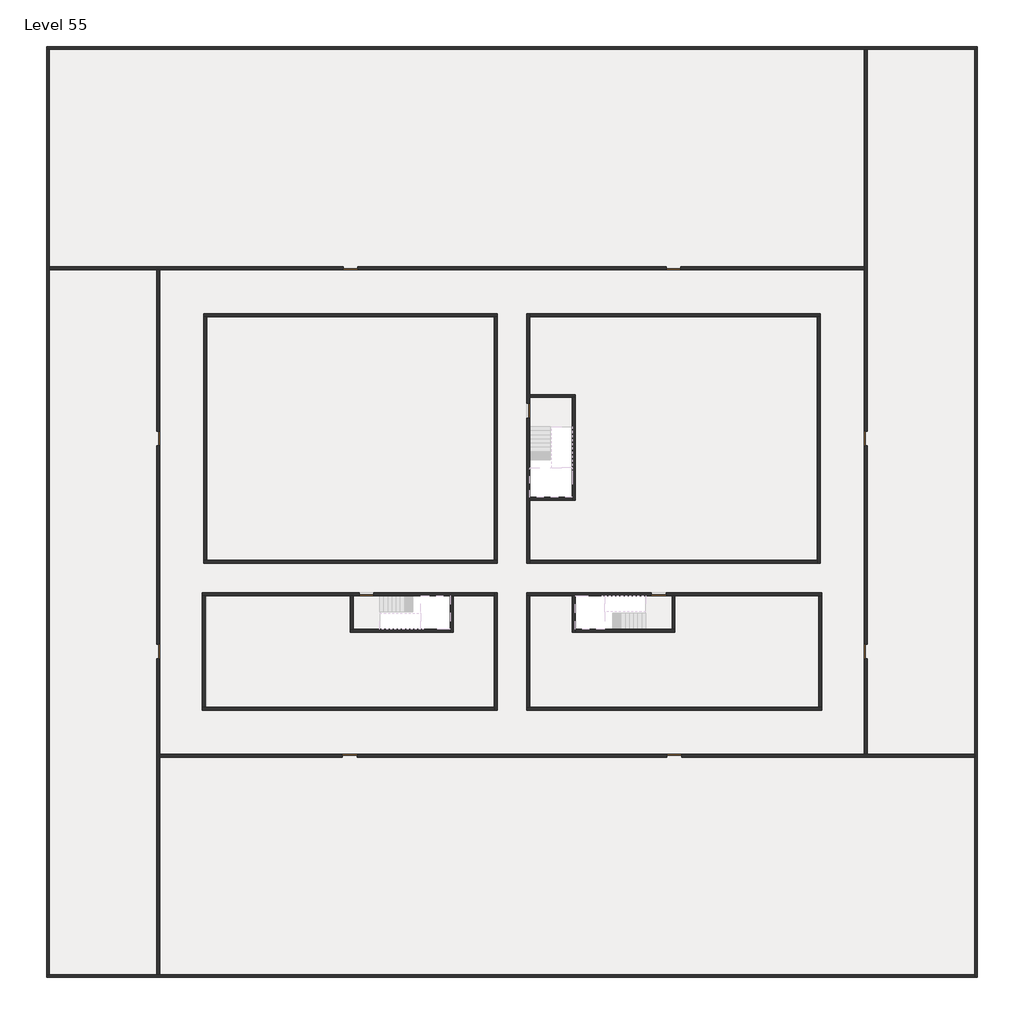
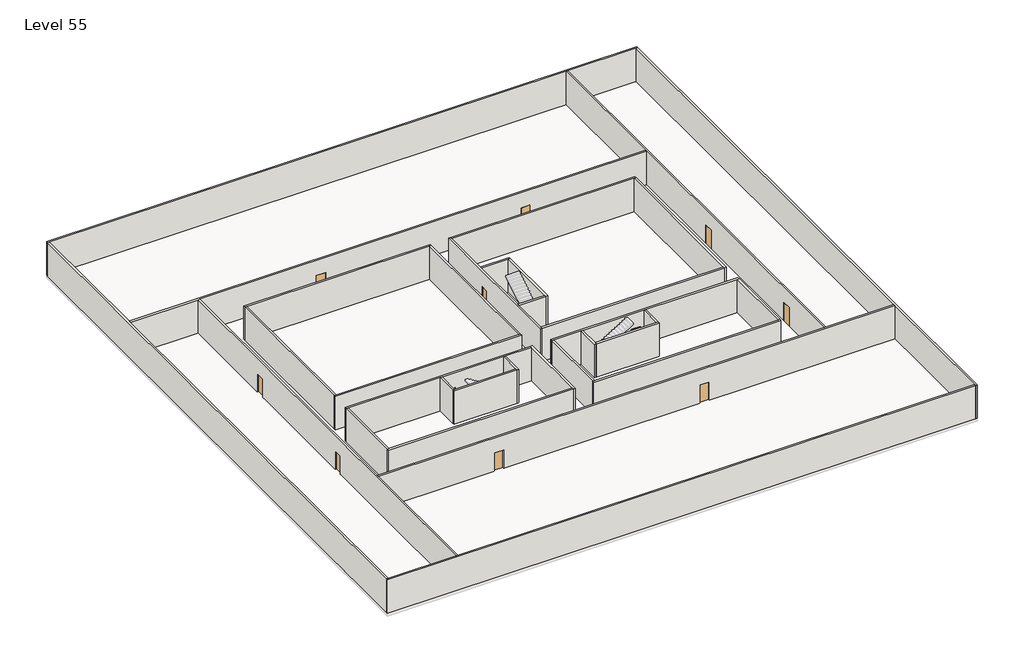
# One storey, part 1 of 2: 33 walls, 11 doors.
"""IFC4 building model written with IfcOpenShell, lengths in millimetres."""

import ifcopenshell
import ifcopenshell.guid

model = None  # the IFC model being written
_history = None  # IfcOwnerHistory: only IFC2X3 demands one
_inside = {}  # id of a spatial element -> (the spatial element, [elements in it])
_under = {}  # id of a project, library or spatial element -> (it, [spatial elements below it])
_declared = {}  # id of a project -> (the project, [libraries it declares])
_typed = {}  # id of a type object -> (the type object, [elements of that type])
_made_of = {}  # id of a material, layer set ... -> (it, [elements and type objects made of it])


def new_model(schema):
    """Start an empty IFC model of exactly this schema.

    Asked for "IFC4X3", IfcOpenShell would pick the latest addendum, in which some entities
    have other attributes; the version numbers below select the first issue.
    IFC2X3 requires an IfcOwnerHistory on every rooted entity: one is made here for all.
    """
    global model, _history
    if schema == "IFC4X3":
        model = ifcopenshell.file(schema_version=(4, 3, 0, 0))
    else:
        model = ifcopenshell.file(schema=schema)
    _inside.clear()
    _under.clear()
    _declared.clear()
    _typed.clear()
    _made_of.clear()
    _history = None
    if model.schema == "IFC2X3":
        org = make("IfcOrganization", Name="unknown")
        user = make(
            "IfcPersonAndOrganization",
            ThePerson=make("IfcPerson", FamilyName="unknown"),
            TheOrganization=org,
        )
        app = make(
            "IfcApplication",
            ApplicationDeveloper=org,
            Version="unknown",
            ApplicationFullName="unknown",
            ApplicationIdentifier="unknown",
        )
        _history = make(
            "IfcOwnerHistory",
            OwningUser=user,
            OwningApplication=app,
            ChangeAction="ADDED",
            CreationDate=0,
        )
    return model


def make(cls, **values):
    """One entity of the class cls with the attributes given. An attribute that is None is left unset."""
    return model.create_entity(
        cls, **{name: value for name, value in values.items() if value is not None}
    )


def rooted(cls, **values):
    """An entity with a GlobalId (a new one), such as an element, a storey or a relation."""
    return make(cls, GlobalId=ifcopenshell.guid.new(), OwnerHistory=_history, **values)


def si_unit(unit_type, name, prefix=None):
    """IfcSIUnit, for example si_unit("LENGTHUNIT", "METRE", prefix="MILLI")."""
    return make("IfcSIUnit", UnitType=unit_type, Prefix=prefix, Name=name)


def assignment(units):
    """IfcUnitAssignment: the units of a project."""
    return None if units is None else make("IfcUnitAssignment", Units=units)


def point(xyz):
    """IfcCartesianPoint."""
    return None if xyz is None else make("IfcCartesianPoint", Coordinates=xyz)


def direction(xyz):
    """IfcDirection."""
    return None if xyz is None else make("IfcDirection", DirectionRatios=xyz)


def frame(location, z_axis=None, x_axis=None):
    """IfcAxis2Placement3D, a coordinate frame: its origin and axes. An axis left out is left unset."""
    return make(
        "IfcAxis2Placement3D",
        Location=point(location),
        Axis=direction(z_axis),
        RefDirection=direction(x_axis),
    )


def origin():
    """The frame at (0, 0, 0) with its axes left unset."""
    return frame((0.0, 0.0, 0.0))


def origin_with_axes():
    """The frame at (0, 0, 0) with the z axis (0, 0, 1) and the x axis (1, 0, 0) written out."""
    return frame((0.0, 0.0, 0.0), z_axis=(0.0, 0.0, 1.0), x_axis=(1.0, 0.0, 0.0))


def place(relative_to, where):
    """IfcLocalPlacement: puts the frame where relative to a parent placement (None: the world)."""
    return make(
        "IfcLocalPlacement", PlacementRelTo=relative_to, RelativePlacement=where
    )


def context(
    kind, dimensions, precision=None, world=None, true_north=None, identifier=None
):
    """IfcGeometricRepresentationContext, for example the 3D "Model" context."""
    return make(
        "IfcGeometricRepresentationContext",
        ContextIdentifier=identifier,
        ContextType=kind,
        CoordinateSpaceDimension=dimensions,
        Precision=precision,
        WorldCoordinateSystem=world,
        TrueNorth=true_north,
    )


def project(units=None, contexts=None):
    """IfcProject with its units and contexts."""
    return rooted(
        "IfcProject",
        Name="project",
        RepresentationContexts=contexts,
        UnitsInContext=assignment(units),
    )


def spatial(cls, under=None, at=None, **own):
    """A site, building, storey or space (cls), placed at a placement, below another one or the project."""
    s = rooted(cls, ObjectPlacement=at, **own)
    if under is not None:
        _under.setdefault(under.id(), (under, []))[1].append(s)
    return s


def polyline(points):
    """IfcPolyline through the points."""
    return make("IfcPolyline", Points=[point(p) for p in points])


def outline(outer, holes=None, kind="AREA"):
    """IfcArbitraryClosedProfileDef: a profile drawn as a closed curve; with holes, ...WithVoids."""
    if holes is None:
        return make("IfcArbitraryClosedProfileDef", ProfileType=kind, OuterCurve=outer)
    return make(
        "IfcArbitraryProfileDefWithVoids",
        ProfileType=kind,
        OuterCurve=outer,
        InnerCurves=holes,
    )


def extrude(swept, where, along, depth):
    """IfcExtrudedAreaSolid: the profile swept, set in the frame where, extruded along a direction by depth."""
    return make(
        "IfcExtrudedAreaSolid",
        SweptArea=swept,
        Position=where,
        ExtrudedDirection=direction(along),
        Depth=depth,
    )


def faces_of(points, faces, orient=None, outer=None):
    """IfcFace entities. A face is a list of loops; a loop is a list of indices into points, from 0.

    orient and outer hold one flag for each loop. By default every Orientation is true, the
    first loop of a face is its IfcFaceOuterBound and the others are IfcFaceBound.
    """
    made = []
    for i, loops in enumerate(faces):
        bounds = []
        for j, loop in enumerate(loops):
            is_outer = j == 0 if outer is None else outer[i][j]
            bounds.append(
                make(
                    "IfcFaceOuterBound" if is_outer else "IfcFaceBound",
                    Bound=make("IfcPolyLoop", Polygon=[points[k] for k in loop]),
                    Orientation=True if orient is None else orient[i][j],
                )
            )
        made.append(make("IfcFace", Bounds=bounds))
    return made


def faceted_brep(points, faces, orient=None, outer=None, voids=None):
    """IfcFacetedBrep: a solid bounded by flat faces; with voids (closed shells), ...WithVoids."""
    shared = [point(p) for p in points]
    hull = make("IfcClosedShell", CfsFaces=faces_of(shared, faces, orient, outer))
    if voids is None:
        return make("IfcFacetedBrep", Outer=hull)
    return make(
        "IfcFacetedBrepWithVoids",
        Outer=hull,
        Voids=[
            make(cls, CfsFaces=faces_of(shared, fs, o, b)) for cls, fs, o, b in voids
        ],
    )


def shape(context_of_items, identifier, shape_type, items):
    """IfcShapeRepresentation: the items that make up one representation, for example the "Body"."""
    return make(
        "IfcShapeRepresentation",
        ContextOfItems=context_of_items,
        RepresentationIdentifier=identifier,
        RepresentationType=shape_type,
        Items=items,
    )


def source(mapping_origin, context_of_items, identifier, shape_type, items):
    """IfcRepresentationMap: a shape defined once, which mapped items show again and again."""
    return make(
        "IfcRepresentationMap",
        MappingOrigin=mapping_origin,
        MappedRepresentation=shape(context_of_items, identifier, shape_type, items),
    )


def transform(
    local_origin,
    x_axis=None,
    y_axis=None,
    z_axis=None,
    scale=None,
    scale2=None,
    scale3=None,
    uniform=True,
):
    """IfcCartesianTransformationOperator3D, or its non-uniform kind. x_axis, y_axis, z_axis: its Axis1, 2, 3."""
    if uniform:
        return make(
            "IfcCartesianTransformationOperator3D",
            Axis1=direction(x_axis),
            Axis2=direction(y_axis),
            LocalOrigin=point(local_origin),
            Scale=scale,
            Axis3=direction(z_axis),
        )
    return make(
        "IfcCartesianTransformationOperator3DnonUniform",
        Axis1=direction(x_axis),
        Axis2=direction(y_axis),
        LocalOrigin=point(local_origin),
        Scale=scale,
        Axis3=direction(z_axis),
        Scale2=scale2,
        Scale3=scale3,
    )


def mapped(mapping_source, mapping_target):
    """IfcMappedItem: shows the shape of a source again, moved by a transform."""
    return make(
        "IfcMappedItem", MappingSource=mapping_source, MappingTarget=mapping_target
    )


def made_of(thing, what):
    """Note that an element or type object is made of a material, layer set ...; save() writes the relation."""
    if what is not None:
        _made_of.setdefault(what.id(), (what, []))[1].append(thing)
    return thing


def element(
    cls,
    number,
    at=None,
    inside=None,
    cuts=None,
    type_object=None,
    material=None,
    context=None,
    identifier="Body",
    shape_type=None,
    held_by="IfcProductDefinitionShape",
    body=None,
    shapes=None,
    **own,
):
    """One element of the class cls, such as IfcWall. Its Tag is "e" and its number.

    at: its placement. inside: the storey or other place that contains it. cuts: it is an
    opening in that element (IfcRelVoidsElement). A single representation is given by context,
    identifier, shape_type and body (its items); several are given by shapes. held_by: the class
    of the entity that holds the representations. save() writes the other relations.
    """
    e = rooted(cls, Tag="e%d" % number, ObjectPlacement=at, **own)
    if body is not None:
        shapes = [shape(context, identifier, shape_type, body)]
    if shapes is not None:
        e.Representation = make(held_by, Representations=shapes)
    if inside is not None:
        _inside.setdefault(inside.id(), (inside, []))[1].append(e)
    if cuts is not None:
        rooted(
            "IfcRelVoidsElement", RelatingBuildingElement=cuts, RelatedOpeningElement=e
        )
    if type_object is not None:
        _typed.setdefault(type_object.id(), (type_object, []))[1].append(e)
    return made_of(e, material)


def aggregate(whole, parts):
    """IfcRelAggregates: a whole, such as a stair, and the parts it consists of."""
    return rooted("IfcRelAggregates", RelatingObject=whole, RelatedObjects=parts)


def save(model, path):
    """Write the relations noted so far, then the file.

    IfcRelAggregates (storeys below a building ...), IfcRelContainedInSpatialStructure (elements
    in a storey), IfcRelDefinesByType, IfcRelAssociatesMaterial and IfcRelDeclares: one each for
    every whole, place, type object, material and project.
    """
    for whole, parts in _under.values():
        aggregate(whole, parts)
    for where, things in _inside.values():
        rooted(
            "IfcRelContainedInSpatialStructure",
            RelatedElements=things,
            RelatingStructure=where,
        )
    for kind, things in _typed.values():
        rooted("IfcRelDefinesByType", RelatedObjects=things, RelatingType=kind)
    for what, things in _made_of.values():
        rooted("IfcRelAssociatesMaterial", RelatedObjects=things, RelatingMaterial=what)
    for by, libraries in _declared.values():
        rooted("IfcRelDeclares", RelatingContext=by, RelatedDefinitions=libraries)
    model.write(path)


def door_fb3c37fd(model_context):
    return source(origin(), model_context, "Body", "SweptSolid", [
        extrude(outline(polyline([(500.0, 49.0), (-500.0, 49.0), (-500.0, 100.0), (500.0, 100.0), (500.0, 49.0)])), origin_with_axes(), (0.0, 0.0, 1.0), 2100.0),
    ])


def door_0317a72c(model_context):
    return source(origin(), model_context, "Body", "SweptSolid", [
        extrude(outline(polyline([(500.0, -49.0), (500.0, -100.0), (-500.0, -100.0), (-500.0, -49.0), (500.0, -49.0)])), origin_with_axes(), (0.0, 0.0, 1.0), 2100.0),
    ])


model = new_model("IFC4")

# Units and contexts
model_context = context("Model", 3, world=origin())
ifc_project = project(units=[si_unit("LENGTHUNIT", "METRE", prefix="MILLI")], contexts=[model_context])

# Site, building, storey
site = spatial("IfcSite", under=ifc_project)
building = spatial("IfcBuilding", under=site)
storey = spatial("IfcBuildingStorey", under=building, Name="Level 55", Elevation=205200.0)

# Doors
placement = place(None, origin())
door_shape = door_fb3c37fd(model_context)
element("IfcDoor", 1, at=placement, inside=storey, context=model_context, shape_type="MappedRepresentation", body=[
    mapped(door_shape, transform((14290.1058784, -42818.09644, 205200.0), x_axis=(-1.0, 0.0, 0.0), y_axis=(0.0, -1.0, 0.0), z_axis=(0.0, 0.0, 1.0))),
])
element("IfcDoor", 2, at=placement, inside=storey, context=model_context, shape_type="MappedRepresentation", body=[
    mapped(door_shape, transform((35190.1058784, -20618.09644, 205200.0), x_axis=(-1.0, 0.0, 0.0), y_axis=(0.0, -1.0, 0.0), z_axis=(0.0, 0.0, 1.0))),
])
element("IfcDoor", 3, at=placement, inside=storey, context=model_context, shape_type="MappedRepresentation", body=[
    mapped(door_shape, transform((13190.1058784, -20618.09644, 205200.0), x_axis=(-1.0, 0.0, 0.0), y_axis=(0.0, -1.0, 0.0), z_axis=(0.0, 0.0, 1.0))),
])
element("IfcDoor", 4, at=placement, inside=storey, context=model_context, shape_type="MappedRepresentation", body=[
    mapped(door_shape, transform((90.1058784, -32218.09644, 205200.0), x_axis=(0.0, -1.0, 0.0), y_axis=(1.0, 0.0, 0.0), z_axis=(0.0, 0.0, 1.0))),
])
element("IfcDoor", 5, at=placement, inside=storey, context=model_context, shape_type="MappedRepresentation", body=[
    mapped(door_shape, transform((90.1058784, -46718.09644, 205200.0), x_axis=(0.0, -1.0, 0.0), y_axis=(1.0, 0.0, 0.0), z_axis=(0.0, 0.0, 1.0))),
])
element("IfcDoor", 6, at=placement, inside=storey, context=model_context, shape_type="MappedRepresentation", body=[
    mapped(door_shape, transform((13140.1058784, -53818.09644, 205200.0), x_axis=(1.0, 0.0, 0.0), y_axis=(0.0, 1.0, 0.0), z_axis=(0.0, 0.0, 1.0))),
])
element("IfcDoor", 7, at=placement, inside=storey, context=model_context, shape_type="MappedRepresentation", body=[
    mapped(door_shape, transform((35240.1058784, -53818.09644, 205200.0), x_axis=(1.0, 0.0, 0.0), y_axis=(0.0, 1.0, 0.0), z_axis=(0.0, 0.0, 1.0))),
])
door_2_shape = door_0317a72c(model_context)
element("IfcDoor", 8, at=placement, inside=storey, context=model_context, shape_type="MappedRepresentation", body=[
    mapped(door_2_shape, transform((25290.1058784, -30318.09644, 205200.0), x_axis=(0.0, 1.0, 0.0), y_axis=(-1.0, 0.0, 0.0), z_axis=(0.0, 0.0, 1.0))),
])
element("IfcDoor", 9, at=placement, inside=storey, context=model_context, shape_type="MappedRepresentation", body=[
    mapped(door_2_shape, transform((34190.1058784, -42818.09644, 205200.0), x_axis=(1.0, 0.0, 0.0), y_axis=(0.0, 1.0, 0.0), z_axis=(0.0, 0.0, 1.0))),
])
element("IfcDoor", 10, at=placement, inside=storey, context=model_context, shape_type="MappedRepresentation", body=[
    mapped(door_2_shape, transform((48290.1058784, -46718.09644, 205200.0), x_axis=(0.0, -1.0, 0.0), y_axis=(1.0, 0.0, 0.0), z_axis=(0.0, 0.0, 1.0))),
])
element("IfcDoor", 11, at=placement, inside=storey, context=model_context, shape_type="MappedRepresentation", body=[
    mapped(door_2_shape, transform((48290.1058784, -32218.09644, 205200.0), x_axis=(0.0, -1.0, 0.0), y_axis=(1.0, 0.0, 0.0), z_axis=(0.0, 0.0, 1.0))),
])

# Walls
element("IfcWall", 12, at=placement, inside=storey, context=model_context, shape_type="Brep", body=[
    faceted_brep([(-7509.8941216, -5718.09644, 205200.0), (-7309.8941216, -5718.09644, 205200.0), (48190.1058784, -5718.09644, 205200.0), (48390.1058784, -5718.09644, 205200.0), (55690.1058784, -5718.09644, 205200.0), (55890.1058784, -5718.09644, 205200.0), (55890.1058784, -5718.09644, 209000.0), (55690.1058784, -5718.09644, 209000.0), (48390.1058784, -5718.09644, 209000.0), (48190.1058784, -5718.09644, 209000.0), (-7309.8941216, -5718.09644, 209000.0), (-7509.8941216, -5718.09644, 209000.0), (-7509.8941216, -5518.09644, 205200.0), (-7509.8941216, -5518.09644, 209000.0), (55890.1058784, -5518.09644, 209000.0), (55890.1058784, -5518.09644, 205200.0)], [[[0, 1, 2, 3, 4, 5, 6, 7, 8, 9, 10, 11]], [[12, 13, 14, 15]], [[5, 4, 3, 2, 1, 0, 12, 15]], [[11, 10, 9, 8, 7, 6, 14, 13]], [[0, 11, 13, 12]], [[6, 5, 15, 14]]]),
])
element("IfcWall", 13, at=placement, inside=storey, context=model_context, shape_type="Brep", body=[
    faceted_brep([(55690.1058784, -5718.09644, 205200.0), (55690.1058784, -53718.09644, 205200.0), (55690.1058784, -53918.09644, 205200.0), (55690.1058784, -68718.09644, 205200.0), (55690.1058784, -68918.09644, 205200.0), (55690.1058784, -68918.09644, 209000.0), (55690.1058784, -68718.09644, 209000.0), (55690.1058784, -53918.09644, 209000.0), (55690.1058784, -53718.09644, 209000.0), (55690.1058784, -5718.09644, 209000.0), (55890.1058784, -5718.09644, 205200.0), (55890.1058784, -5718.09644, 209000.0), (55890.1058784, -68918.09644, 209000.0), (55890.1058784, -68918.09644, 205200.0)], [[[0, 1, 2, 3, 4, 5, 6, 7, 8, 9]], [[10, 11, 12, 13]], [[4, 3, 2, 1, 0, 10, 13]], [[9, 8, 7, 6, 5, 12, 11]], [[5, 4, 13, 12]], [[0, 9, 11, 10]]]),
])
element("IfcWall", 14, at=placement, inside=storey, context=model_context, shape_type="Brep", body=[
    faceted_brep([(55690.1058784, -68718.09644, 205200.0), (190.1058784, -68718.09644, 205200.0), (-9.8941216, -68718.09644, 205200.0), (-7309.8941216, -68718.09644, 205200.0), (-7509.8941216, -68718.09644, 205200.0), (-7509.8941216, -68718.09644, 209000.0), (-7309.8941216, -68718.09644, 209000.0), (-9.8941216, -68718.09644, 209000.0), (190.1058784, -68718.09644, 209000.0), (55690.1058784, -68718.09644, 209000.0), (55690.1058784, -68918.09644, 205200.0), (55690.1058784, -68918.09644, 209000.0), (-7509.8941216, -68918.09644, 209000.0), (-7509.8941216, -68918.09644, 205200.0)], [[[0, 1, 2, 3, 4, 5, 6, 7, 8, 9]], [[10, 11, 12, 13]], [[4, 3, 2, 1, 0, 10, 13]], [[9, 8, 7, 6, 5, 12, 11]], [[5, 4, 13, 12]], [[0, 9, 11, 10]]]),
])
element("IfcWall", 15, at=placement, inside=storey, context=model_context, shape_type="Brep", body=[
    faceted_brep([(-7309.8941216, -68718.09644, 205200.0), (-7309.8941216, -20718.09644, 205200.0), (-7309.8941216, -20518.09644, 205200.0), (-7309.8941216, -5718.09644, 205200.0), (-7309.8941216, -5718.09644, 209000.0), (-7309.8941216, -20518.09644, 209000.0), (-7309.8941216, -20718.09644, 209000.0), (-7309.8941216, -68718.09644, 209000.0), (-7509.8941216, -68718.09644, 205200.0), (-7509.8941216, -68718.09644, 209000.0), (-7509.8941216, -5718.09644, 209000.0), (-7509.8941216, -5718.09644, 205200.0)], [[[0, 1, 2, 3, 4, 5, 6, 7]], [[8, 9, 10, 11]], [[3, 2, 1, 0, 8, 11]], [[7, 6, 5, 4, 10, 9]], [[0, 7, 9, 8]], [[4, 3, 11, 10]]]),
])
element("IfcWall", 16, at=placement, inside=storey, context=model_context, shape_type="Brep", body=[
    faceted_brep([(3190.1058784, -23918.09644, 205200.0), (3390.1058784, -23918.09644, 205200.0), (22990.1058784, -23918.09644, 205200.0), (23190.1058784, -23918.09644, 205200.0), (23190.1058784, -23918.09644, 209000.0), (22990.1058784, -23918.09644, 209000.0), (3390.1058784, -23918.09644, 209000.0), (3190.1058784, -23918.09644, 209000.0), (3190.1058784, -23718.09644, 205200.0), (3190.1058784, -23718.09644, 209000.0), (23190.1058784, -23718.09644, 209000.0), (23190.1058784, -23718.09644, 205200.0)], [[[0, 1, 2, 3, 4, 5, 6, 7]], [[8, 9, 10, 11]], [[3, 2, 1, 0, 8, 11]], [[7, 6, 5, 4, 10, 9]], [[4, 3, 11, 10]], [[0, 7, 9, 8]]]),
])
element("IfcWall", 17, at=placement, inside=storey, context=model_context, shape_type="Brep", body=[
    faceted_brep([(44990.1058784, -23918.09644, 205200.0), (44990.1058784, -40518.09644, 205200.0), (44990.1058784, -40718.09644, 205200.0), (44990.1058784, -40718.09644, 209000.0), (44990.1058784, -40518.09644, 209000.0), (44990.1058784, -23918.09644, 209000.0), (45190.1058784, -23918.09644, 205200.0), (45190.1058784, -23918.09644, 209000.0), (45190.1058784, -40718.09644, 209000.0), (45190.1058784, -40718.09644, 205200.0)], [[[0, 1, 2, 3, 4, 5]], [[6, 7, 8, 9]], [[2, 1, 0, 6, 9]], [[5, 4, 3, 8, 7]], [[3, 2, 9, 8]], [[0, 5, 7, 6]]]),
])
element("IfcWall", 18, at=placement, inside=storey, context=model_context, shape_type="Brep", body=[
    faceted_brep([(45290.1058784, -50518.09644, 205200.0), (45090.1058784, -50518.09644, 205200.0), (25390.1058784, -50518.09644, 205200.0), (25190.1058784, -50518.09644, 205200.0), (25190.1058784, -50518.09644, 209000.0), (25390.1058784, -50518.09644, 209000.0), (45090.1058784, -50518.09644, 209000.0), (45290.1058784, -50518.09644, 209000.0), (45290.1058784, -50718.09644, 205200.0), (45290.1058784, -50718.09644, 209000.0), (25190.1058784, -50718.09644, 209000.0), (25190.1058784, -50718.09644, 205200.0)], [[[0, 1, 2, 3, 4, 5, 6, 7]], [[8, 9, 10, 11]], [[3, 2, 1, 0, 8, 11]], [[7, 6, 5, 4, 10, 9]], [[4, 3, 11, 10]], [[0, 7, 9, 8]]]),
])
element("IfcWall", 19, at=placement, inside=storey, context=model_context, shape_type="SweptSolid", body=[
    extrude(outline(polyline([(22990.1058784, -40518.09644), (22990.1058784, -23918.09644), (23190.1058784, -23918.09644), (23190.1058784, -40518.09644), (22990.1058784, -40518.09644)])), frame((0.0, 0.0, 205200.0), z_axis=(0.0, 0.0, 1.0), x_axis=(1.0, 0.0, 0.0)), (0.0, 0.0, 1.0), 3800.0),
])
element("IfcWall", 20, at=placement, inside=storey, context=model_context, shape_type="Brep", body=[
    faceted_brep([(23190.1058784, -40518.09644, 205200.0), (22990.1058784, -40518.09644, 205200.0), (3390.1058784, -40518.09644, 205200.0), (3190.1058784, -40518.09644, 205200.0), (3190.1058784, -40518.09644, 209000.0), (3390.1058784, -40518.09644, 209000.0), (22990.1058784, -40518.09644, 209000.0), (23190.1058784, -40518.09644, 209000.0), (23190.1058784, -40718.09644, 205200.0), (23190.1058784, -40718.09644, 209000.0), (3190.1058784, -40718.09644, 209000.0), (3190.1058784, -40718.09644, 205200.0)], [[[0, 1, 2, 3, 4, 5, 6, 7]], [[8, 9, 10, 11]], [[3, 2, 1, 0, 8, 11]], [[7, 6, 5, 4, 10, 9]], [[0, 7, 9, 8]], [[4, 3, 11, 10]]]),
])
element("IfcWall", 21, at=placement, inside=storey, context=model_context, shape_type="Brep", body=[
    faceted_brep([(3090.1058784, -42918.09644, 205200.0), (3290.1058784, -42918.09644, 205200.0), (13190.1058784, -42918.09644, 205200.0), (13390.1058784, -42918.09644, 205200.0), (13790.1058784, -42918.09644, 205200.0), (13790.1058784, -42918.09644, 207300.0), (14790.1058784, -42918.09644, 207300.0), (14790.1058784, -42918.09644, 205200.0), (19990.1058784, -42918.09644, 205200.0), (20190.1058784, -42918.09644, 205200.0), (22990.1058784, -42918.09644, 205200.0), (22990.1058784, -42918.09644, 209000.0), (20190.1058784, -42918.09644, 209000.0), (19990.1058784, -42918.09644, 209000.0), (13390.1058784, -42918.09644, 209000.0), (13190.1058784, -42918.09644, 209000.0), (3290.1058784, -42918.09644, 209000.0), (3090.1058784, -42918.09644, 209000.0), (13790.1058784, -42718.09644, 207300.0), (13790.1058784, -42718.09644, 205200.0), (3090.1058784, -42718.09644, 205200.0), (3090.1058784, -42718.09644, 209000.0), (22990.1058784, -42718.09644, 209000.0), (22990.1058784, -42718.09644, 205200.0), (14790.1058784, -42718.09644, 205200.0), (14790.1058784, -42718.09644, 207300.0)], [[[0, 1, 2, 3, 4, 5, 6, 7, 8, 9, 10, 11, 12, 13, 14, 15, 16, 17]], [[18, 19, 20, 21, 22, 23, 24, 25]], [[24, 23, 10, 9, 8, 7]], [[20, 19, 4, 3, 2, 1, 0]], [[17, 16, 15, 14, 13, 12, 11, 22, 21]], [[5, 4, 19, 18]], [[6, 5, 18, 25]], [[7, 6, 25, 24]], [[0, 17, 21, 20]], [[11, 10, 23, 22]]]),
])
element("IfcWall", 22, at=placement, inside=storey, context=model_context, shape_type="SweptSolid", body=[
    extrude(outline(polyline([(25390.1058784, -40518.09644), (44990.1058784, -40518.09644), (44990.1058784, -40718.09644), (25390.1058784, -40718.09644), (25390.1058784, -40518.09644)])), frame((0.0, 0.0, 205200.0), z_axis=(0.0, 0.0, 1.0), x_axis=(1.0, 0.0, 0.0)), (0.0, 0.0, 1.0), 3800.0),
])
element("IfcWall", 23, at=placement, inside=storey, context=model_context, shape_type="Brep", body=[
    faceted_brep([(25390.1058784, -29818.09644, 207300.0), (25390.1058784, -29818.09644, 205200.0), (25390.1058784, -29418.09644, 205200.0), (25390.1058784, -29218.09644, 205200.0), (25390.1058784, -23918.09644, 205200.0), (25390.1058784, -23718.09644, 205200.0), (25390.1058784, -23718.09644, 209000.0), (25390.1058784, -23918.09644, 209000.0), (25390.1058784, -29218.09644, 209000.0), (25390.1058784, -29418.09644, 209000.0), (25390.1058784, -36218.09644, 209000.0), (25390.1058784, -36418.09644, 209000.0), (25390.1058784, -40518.09644, 209000.0), (25390.1058784, -40718.09644, 209000.0), (25390.1058784, -40718.09644, 205200.0), (25390.1058784, -40518.09644, 205200.0), (25390.1058784, -36418.09644, 205200.0), (25390.1058784, -36218.09644, 205200.0), (25390.1058784, -30818.09644, 205200.0), (25390.1058784, -30818.09644, 207300.0), (25190.1058784, -23718.09644, 205200.0), (25190.1058784, -29818.09644, 205200.0), (25190.1058784, -29818.09644, 207300.0), (25190.1058784, -30818.09644, 207300.0), (25190.1058784, -30818.09644, 205200.0), (25190.1058784, -40718.09644, 205200.0), (25190.1058784, -40718.09644, 209000.0), (25190.1058784, -23718.09644, 209000.0)], [[[0, 1, 2, 3, 4, 5, 6, 7, 8, 9, 10, 11, 12, 13, 14, 15, 16, 17, 18, 19]], [[20, 21, 22, 23, 24, 25, 26, 27]], [[5, 4, 3, 2, 1, 21, 20]], [[18, 17, 16, 15, 14, 25, 24]], [[13, 12, 11, 10, 9, 8, 7, 6, 27, 26]], [[22, 21, 1, 0]], [[23, 22, 0, 19]], [[24, 23, 19, 18]], [[14, 13, 26, 25]], [[6, 5, 20, 27]]]),
])
element("IfcWall", 24, at=placement, inside=storey, context=model_context, shape_type="SweptSolid", body=[
    extrude(outline(polyline([(3390.1058784, -23918.09644), (3390.1058784, -40518.09644), (3190.1058784, -40518.09644), (3190.1058784, -23918.09644), (3390.1058784, -23918.09644)])), frame((0.0, 0.0, 205200.0), z_axis=(0.0, 0.0, 1.0), x_axis=(1.0, 0.0, 0.0)), (0.0, 0.0, 1.0), 3800.0),
])
element("IfcWall", 25, at=placement, inside=storey, context=model_context, shape_type="Brep", body=[
    faceted_brep([(25390.1058784, -23918.09644, 205200.0), (44990.1058784, -23918.09644, 205200.0), (45190.1058784, -23918.09644, 205200.0), (45190.1058784, -23918.09644, 209000.0), (44990.1058784, -23918.09644, 209000.0), (25390.1058784, -23918.09644, 209000.0), (25390.1058784, -23718.09644, 205200.0), (25390.1058784, -23718.09644, 209000.0), (45190.1058784, -23718.09644, 209000.0), (45190.1058784, -23718.09644, 205200.0)], [[[0, 1, 2, 3, 4, 5]], [[6, 7, 8, 9]], [[2, 1, 0, 6, 9]], [[5, 4, 3, 8, 7]], [[3, 2, 9, 8]], [[0, 5, 7, 6]]]),
])
element("IfcWall", 26, at=placement, inside=storey, context=model_context, shape_type="Brep", body=[
    faceted_brep([(25390.1058784, -29418.09644, 205200.0), (28290.1058784, -29418.09644, 205200.0), (28490.1058784, -29418.09644, 205200.0), (28490.1058784, -29418.09644, 209000.0), (28290.1058784, -29418.09644, 209000.0), (25390.1058784, -29418.09644, 209000.0), (25390.1058784, -29218.09644, 205200.0), (25390.1058784, -29218.09644, 209000.0), (28490.1058784, -29218.09644, 209000.0), (28490.1058784, -29218.09644, 205200.0)], [[[0, 1, 2, 3, 4, 5]], [[6, 7, 8, 9]], [[2, 1, 0, 6, 9]], [[5, 4, 3, 8, 7]], [[3, 2, 9, 8]], [[0, 5, 7, 6]]]),
])
element("IfcWall", 27, at=placement, inside=storey, context=model_context, shape_type="Brep", body=[
    faceted_brep([(28290.1058784, -29418.09644, 205200.0), (28290.1058784, -36218.09644, 205200.0), (28290.1058784, -36418.09644, 205200.0), (28290.1058784, -36418.09644, 209000.0), (28290.1058784, -36218.09644, 209000.0), (28290.1058784, -29418.09644, 209000.0), (28490.1058784, -29418.09644, 205200.0), (28490.1058784, -29418.09644, 209000.0), (28490.1058784, -36418.09644, 209000.0), (28490.1058784, -36418.09644, 205200.0)], [[[0, 1, 2, 3, 4, 5]], [[6, 7, 8, 9]], [[2, 1, 0, 6, 9]], [[5, 4, 3, 8, 7]], [[3, 2, 9, 8]], [[0, 5, 7, 6]]]),
])
element("IfcWall", 28, at=placement, inside=storey, context=model_context, shape_type="SweptSolid", body=[
    extrude(outline(polyline([(25390.1058784, -36218.09644), (28290.1058784, -36218.09644), (28290.1058784, -36418.09644), (25390.1058784, -36418.09644), (25390.1058784, -36218.09644)])), frame((0.0, 0.0, 205200.0), z_axis=(0.0, 0.0, 1.0), x_axis=(1.0, 0.0, 0.0)), (0.0, 0.0, 1.0), 3800.0),
])
element("IfcWall", 29, at=placement, inside=storey, context=model_context, shape_type="SweptSolid", body=[
    extrude(outline(polyline([(25190.1058784, -50518.09644), (25190.1058784, -42918.09644), (25390.1058784, -42918.09644), (25390.1058784, -50518.09644), (25190.1058784, -50518.09644)])), frame((0.0, 0.0, 205200.0), z_axis=(0.0, 0.0, 1.0), x_axis=(1.0, 0.0, 0.0)), (0.0, 0.0, 1.0), 3800.0),
])
element("IfcWall", 30, at=placement, inside=storey, context=model_context, shape_type="Brep", body=[
    faceted_brep([(22990.1058784, -42718.09644, 205200.0), (22990.1058784, -42918.09644, 205200.0), (22990.1058784, -50518.09644, 205200.0), (22990.1058784, -50718.09644, 205200.0), (22990.1058784, -50718.09644, 209000.0), (22990.1058784, -50518.09644, 209000.0), (22990.1058784, -42918.09644, 209000.0), (22990.1058784, -42718.09644, 209000.0), (23190.1058784, -42718.09644, 205200.0), (23190.1058784, -42718.09644, 209000.0), (23190.1058784, -50718.09644, 209000.0), (23190.1058784, -50718.09644, 205200.0)], [[[0, 1, 2, 3, 4, 5, 6, 7]], [[8, 9, 10, 11]], [[3, 2, 1, 0, 8, 11]], [[7, 6, 5, 4, 10, 9]], [[4, 3, 11, 10]], [[0, 7, 9, 8]]]),
])
element("IfcWall", 31, at=placement, inside=storey, context=model_context, shape_type="Brep", body=[
    faceted_brep([(34690.1058784, -42918.09644, 207300.0), (34690.1058784, -42918.09644, 205200.0), (35090.1058784, -42918.09644, 205200.0), (35290.1058784, -42918.09644, 205200.0), (45090.1058784, -42918.09644, 205200.0), (45290.1058784, -42918.09644, 205200.0), (45290.1058784, -42918.09644, 209000.0), (45090.1058784, -42918.09644, 209000.0), (35290.1058784, -42918.09644, 209000.0), (35090.1058784, -42918.09644, 209000.0), (28490.1058784, -42918.09644, 209000.0), (28290.1058784, -42918.09644, 209000.0), (25390.1058784, -42918.09644, 209000.0), (25190.1058784, -42918.09644, 209000.0), (25190.1058784, -42918.09644, 205200.0), (25390.1058784, -42918.09644, 205200.0), (28290.1058784, -42918.09644, 205200.0), (28490.1058784, -42918.09644, 205200.0), (33690.1058784, -42918.09644, 205200.0), (33690.1058784, -42918.09644, 207300.0), (45290.1058784, -42718.09644, 205200.0), (34690.1058784, -42718.09644, 205200.0), (34690.1058784, -42718.09644, 207300.0), (33690.1058784, -42718.09644, 207300.0), (33690.1058784, -42718.09644, 205200.0), (25190.1058784, -42718.09644, 205200.0), (25190.1058784, -42718.09644, 209000.0), (45290.1058784, -42718.09644, 209000.0)], [[[0, 1, 2, 3, 4, 5, 6, 7, 8, 9, 10, 11, 12, 13, 14, 15, 16, 17, 18, 19]], [[20, 21, 22, 23, 24, 25, 26, 27]], [[5, 4, 3, 2, 1, 21, 20]], [[18, 17, 16, 15, 14, 25, 24]], [[13, 12, 11, 10, 9, 8, 7, 6, 27, 26]], [[22, 21, 1, 0]], [[23, 22, 0, 19]], [[24, 23, 19, 18]], [[14, 13, 26, 25]], [[6, 5, 20, 27]]]),
])
element("IfcWall", 32, at=placement, inside=storey, context=model_context, shape_type="Brep", body=[
    faceted_brep([(22990.1058784, -50518.09644, 205200.0), (3290.1058784, -50518.09644, 205200.0), (3090.1058784, -50518.09644, 205200.0), (3090.1058784, -50518.09644, 209000.0), (3290.1058784, -50518.09644, 209000.0), (22990.1058784, -50518.09644, 209000.0), (22990.1058784, -50718.09644, 205200.0), (22990.1058784, -50718.09644, 209000.0), (3090.1058784, -50718.09644, 209000.0), (3090.1058784, -50718.09644, 205200.0)], [[[0, 1, 2, 3, 4, 5]], [[6, 7, 8, 9]], [[2, 1, 0, 6, 9]], [[5, 4, 3, 8, 7]], [[0, 5, 7, 6]], [[3, 2, 9, 8]]]),
])
element("IfcWall", 33, at=placement, inside=storey, context=model_context, shape_type="Brep", body=[
    faceted_brep([(28290.1058784, -42918.09644, 205200.0), (28290.1058784, -45418.09644, 205200.0), (28290.1058784, -45418.09644, 209000.0), (28290.1058784, -42918.09644, 209000.0), (28490.1058784, -42918.09644, 205200.0), (28490.1058784, -42918.09644, 209000.0), (28490.1058784, -45218.09644, 209000.0), (28490.1058784, -45418.09644, 209000.0), (28490.1058784, -45418.09644, 205200.0), (28490.1058784, -45218.09644, 205200.0)], [[[0, 1, 2, 3]], [[4, 5, 6, 7, 8, 9]], [[1, 0, 4, 9, 8]], [[3, 2, 7, 6, 5]], [[2, 1, 8, 7]], [[0, 3, 5, 4]]]),
])
element("IfcWall", 34, at=placement, inside=storey, context=model_context, shape_type="Brep", body=[
    faceted_brep([(28490.1058784, -45418.09644, 205200.0), (35290.1058784, -45418.09644, 205200.0), (35290.1058784, -45418.09644, 209000.0), (28490.1058784, -45418.09644, 209000.0), (28490.1058784, -45218.09644, 205200.0), (28490.1058784, -45218.09644, 209000.0), (35090.1058784, -45218.09644, 209000.0), (35290.1058784, -45218.09644, 209000.0), (35290.1058784, -45218.09644, 205200.0), (35090.1058784, -45218.09644, 205200.0)], [[[0, 1, 2, 3]], [[4, 5, 6, 7, 8, 9]], [[1, 0, 4, 9, 8]], [[3, 2, 7, 6, 5]], [[2, 1, 8, 7]], [[0, 3, 5, 4]]]),
])
element("IfcWall", 35, at=placement, inside=storey, context=model_context, shape_type="SweptSolid", body=[
    extrude(outline(polyline([(35290.1058784, -42918.09644), (35290.1058784, -45218.09644), (35090.1058784, -45218.09644), (35090.1058784, -42918.09644), (35290.1058784, -42918.09644)])), frame((0.0, 0.0, 205200.0), z_axis=(0.0, 0.0, 1.0), x_axis=(1.0, 0.0, 0.0)), (0.0, 0.0, 1.0), 3800.0),
])
element("IfcWall", 36, at=placement, inside=storey, context=model_context, shape_type="Brep", body=[
    faceted_brep([(19990.1058784, -42918.09644, 205200.0), (19990.1058784, -45218.09644, 205200.0), (19990.1058784, -45418.09644, 205200.0), (19990.1058784, -45418.09644, 209000.0), (19990.1058784, -45218.09644, 209000.0), (19990.1058784, -42918.09644, 209000.0), (20190.1058784, -42918.09644, 205200.0), (20190.1058784, -42918.09644, 209000.0), (20190.1058784, -45418.09644, 209000.0), (20190.1058784, -45418.09644, 205200.0)], [[[0, 1, 2, 3, 4, 5]], [[6, 7, 8, 9]], [[2, 1, 0, 6, 9]], [[5, 4, 3, 8, 7]], [[3, 2, 9, 8]], [[0, 5, 7, 6]]]),
])
element("IfcWall", 37, at=placement, inside=storey, context=model_context, shape_type="Brep", body=[
    faceted_brep([(19990.1058784, -45218.09644, 205200.0), (13390.1058784, -45218.09644, 205200.0), (13190.1058784, -45218.09644, 205200.0), (13190.1058784, -45218.09644, 209000.0), (13390.1058784, -45218.09644, 209000.0), (19990.1058784, -45218.09644, 209000.0), (19990.1058784, -45418.09644, 205200.0), (19990.1058784, -45418.09644, 209000.0), (13190.1058784, -45418.09644, 209000.0), (13190.1058784, -45418.09644, 205200.0)], [[[0, 1, 2, 3, 4, 5]], [[6, 7, 8, 9]], [[2, 1, 0, 6, 9]], [[5, 4, 3, 8, 7]], [[0, 5, 7, 6]], [[3, 2, 9, 8]]]),
])
element("IfcWall", 38, at=placement, inside=storey, context=model_context, shape_type="SweptSolid", body=[
    extrude(outline(polyline([(13390.1058784, -42918.09644), (13390.1058784, -45218.09644), (13190.1058784, -45218.09644), (13190.1058784, -42918.09644), (13390.1058784, -42918.09644)])), frame((0.0, 0.0, 205200.0), z_axis=(0.0, 0.0, 1.0), x_axis=(1.0, 0.0, 0.0)), (0.0, 0.0, 1.0), 3800.0),
])
element("IfcWall", 39, at=placement, inside=storey, context=model_context, shape_type="SweptSolid", body=[
    extrude(outline(polyline([(45290.1058784, -42918.09644), (45290.1058784, -50518.09644), (45090.1058784, -50518.09644), (45090.1058784, -42918.09644), (45290.1058784, -42918.09644)])), frame((0.0, 0.0, 205200.0), z_axis=(0.0, 0.0, 1.0), x_axis=(1.0, 0.0, 0.0)), (0.0, 0.0, 1.0), 3800.0),
])
element("IfcWall", 40, at=placement, inside=storey, context=model_context, shape_type="SweptSolid", body=[
    extrude(outline(polyline([(3290.1058784, -42918.09644), (3290.1058784, -50518.09644), (3090.1058784, -50518.09644), (3090.1058784, -42918.09644), (3290.1058784, -42918.09644)])), frame((0.0, 0.0, 205200.0), z_axis=(0.0, 0.0, 1.0), x_axis=(1.0, 0.0, 0.0)), (0.0, 0.0, 1.0), 3800.0),
])
element("IfcWall", 41, at=placement, inside=storey, context=model_context, shape_type="Brep", body=[
    faceted_brep([(-7309.8941216, -20718.09644, 205200.0), (-9.8941216, -20718.09644, 205200.0), (190.1058784, -20718.09644, 205200.0), (12690.1058784, -20718.09644, 205200.0), (12690.1058784, -20718.09644, 207300.0), (13690.1058784, -20718.09644, 207300.0), (13690.1058784, -20718.09644, 205200.0), (34690.1058784, -20718.09644, 205200.0), (34690.1058784, -20718.09644, 207300.0), (35690.1058784, -20718.09644, 207300.0), (35690.1058784, -20718.09644, 205200.0), (48190.1058784, -20718.09644, 205200.0), (48190.1058784, -20718.09644, 209000.0), (190.1058784, -20718.09644, 209000.0), (-9.8941216, -20718.09644, 209000.0), (-7309.8941216, -20718.09644, 209000.0), (12690.1058784, -20518.09644, 207300.0), (12690.1058784, -20518.09644, 205200.0), (-7309.8941216, -20518.09644, 205200.0), (-7309.8941216, -20518.09644, 209000.0), (48190.1058784, -20518.09644, 209000.0), (48190.1058784, -20518.09644, 205200.0), (35690.1058784, -20518.09644, 205200.0), (35690.1058784, -20518.09644, 207300.0), (34690.1058784, -20518.09644, 207300.0), (34690.1058784, -20518.09644, 205200.0), (13690.1058784, -20518.09644, 205200.0), (13690.1058784, -20518.09644, 207300.0)], [[[0, 1, 2, 3, 4, 5, 6, 7, 8, 9, 10, 11, 12, 13, 14, 15]], [[16, 17, 18, 19, 20, 21, 22, 23, 24, 25, 26, 27]], [[22, 21, 11, 10]], [[26, 25, 7, 6]], [[18, 17, 3, 2, 1, 0]], [[15, 14, 13, 12, 20, 19]], [[8, 7, 25, 24]], [[9, 8, 24, 23]], [[10, 9, 23, 22]], [[4, 3, 17, 16]], [[5, 4, 16, 27]], [[6, 5, 27, 26]], [[0, 15, 19, 18]], [[12, 11, 21, 20]]]),
])
element("IfcWall", 42, at=placement, inside=storey, context=model_context, shape_type="Brep", body=[
    faceted_brep([(48190.1058784, -32718.09644, 207300.0), (48190.1058784, -32718.09644, 205200.0), (48190.1058784, -46218.09644, 205200.0), (48190.1058784, -46218.09644, 207300.0), (48190.1058784, -47218.09644, 207300.0), (48190.1058784, -47218.09644, 205200.0), (48190.1058784, -53718.09644, 205200.0), (48190.1058784, -53718.09644, 209000.0), (48190.1058784, -20718.09644, 209000.0), (48190.1058784, -20518.09644, 209000.0), (48190.1058784, -5718.09644, 209000.0), (48190.1058784, -5718.09644, 205200.0), (48190.1058784, -20518.09644, 205200.0), (48190.1058784, -20718.09644, 205200.0), (48190.1058784, -31718.09644, 205200.0), (48190.1058784, -31718.09644, 207300.0), (48390.1058784, -46218.09644, 205200.0), (48390.1058784, -32718.09644, 205200.0), (48390.1058784, -32718.09644, 207300.0), (48390.1058784, -31718.09644, 207300.0), (48390.1058784, -31718.09644, 205200.0), (48390.1058784, -5718.09644, 205200.0), (48390.1058784, -5718.09644, 209000.0), (48390.1058784, -53718.09644, 209000.0), (48390.1058784, -53718.09644, 205200.0), (48390.1058784, -47218.09644, 205200.0), (48390.1058784, -47218.09644, 207300.0), (48390.1058784, -46218.09644, 207300.0)], [[[0, 1, 2, 3, 4, 5, 6, 7, 8, 9, 10, 11, 12, 13, 14, 15]], [[16, 17, 18, 19, 20, 21, 22, 23, 24, 25, 26, 27]], [[6, 5, 25, 24]], [[2, 1, 17, 16]], [[14, 13, 12, 11, 21, 20]], [[10, 9, 8, 7, 23, 22]], [[26, 25, 5, 4]], [[27, 26, 4, 3]], [[16, 27, 3, 2]], [[18, 17, 1, 0]], [[19, 18, 0, 15]], [[20, 19, 15, 14]], [[11, 10, 22, 21]], [[7, 6, 24, 23]]]),
])
element("IfcWall", 43, at=placement, inside=storey, context=model_context, shape_type="Brep", body=[
    faceted_brep([(55690.1058784, -53718.09644, 205200.0), (48390.1058784, -53718.09644, 205200.0), (48190.1058784, -53718.09644, 205200.0), (35740.1058784, -53718.09644, 205200.0), (35740.1058784, -53718.09644, 207300.0), (34740.1058784, -53718.09644, 207300.0), (34740.1058784, -53718.09644, 205200.0), (13640.1058784, -53718.09644, 205200.0), (13640.1058784, -53718.09644, 207300.0), (12640.1058784, -53718.09644, 207300.0), (12640.1058784, -53718.09644, 205200.0), (190.1058784, -53718.09644, 205200.0), (190.1058784, -53718.09644, 209000.0), (48190.1058784, -53718.09644, 209000.0), (48390.1058784, -53718.09644, 209000.0), (55690.1058784, -53718.09644, 209000.0), (35740.1058784, -53918.09644, 207300.0), (35740.1058784, -53918.09644, 205200.0), (55690.1058784, -53918.09644, 205200.0), (55690.1058784, -53918.09644, 209000.0), (190.1058784, -53918.09644, 209000.0), (190.1058784, -53918.09644, 205200.0), (12640.1058784, -53918.09644, 205200.0), (12640.1058784, -53918.09644, 207300.0), (13640.1058784, -53918.09644, 207300.0), (13640.1058784, -53918.09644, 205200.0), (34740.1058784, -53918.09644, 205200.0), (34740.1058784, -53918.09644, 207300.0)], [[[0, 1, 2, 3, 4, 5, 6, 7, 8, 9, 10, 11, 12, 13, 14, 15]], [[16, 17, 18, 19, 20, 21, 22, 23, 24, 25, 26, 27]], [[22, 21, 11, 10]], [[26, 25, 7, 6]], [[18, 17, 3, 2, 1, 0]], [[15, 14, 13, 12, 20, 19]], [[8, 7, 25, 24]], [[9, 8, 24, 23]], [[10, 9, 23, 22]], [[4, 3, 17, 16]], [[5, 4, 16, 27]], [[6, 5, 27, 26]], [[0, 15, 19, 18]], [[12, 11, 21, 20]]]),
])
element("IfcWall", 44, at=placement, inside=storey, context=model_context, shape_type="Brep", body=[
    faceted_brep([(190.1058784, -68718.09644, 205200.0), (190.1058784, -53918.09644, 205200.0), (190.1058784, -53718.09644, 205200.0), (190.1058784, -47218.09644, 205200.0), (190.1058784, -47218.09644, 207300.0), (190.1058784, -46218.09644, 207300.0), (190.1058784, -46218.09644, 205200.0), (190.1058784, -32718.09644, 205200.0), (190.1058784, -32718.09644, 207300.0), (190.1058784, -31718.09644, 207300.0), (190.1058784, -31718.09644, 205200.0), (190.1058784, -20718.09644, 205200.0), (190.1058784, -20718.09644, 209000.0), (190.1058784, -53718.09644, 209000.0), (190.1058784, -53918.09644, 209000.0), (190.1058784, -68718.09644, 209000.0), (-9.8941216, -47218.09644, 207300.0), (-9.8941216, -47218.09644, 205200.0), (-9.8941216, -68718.09644, 205200.0), (-9.8941216, -68718.09644, 209000.0), (-9.8941216, -20718.09644, 209000.0), (-9.8941216, -20718.09644, 205200.0), (-9.8941216, -31718.09644, 205200.0), (-9.8941216, -31718.09644, 207300.0), (-9.8941216, -32718.09644, 207300.0), (-9.8941216, -32718.09644, 205200.0), (-9.8941216, -46218.09644, 205200.0), (-9.8941216, -46218.09644, 207300.0)], [[[0, 1, 2, 3, 4, 5, 6, 7, 8, 9, 10, 11, 12, 13, 14, 15]], [[16, 17, 18, 19, 20, 21, 22, 23, 24, 25, 26, 27]], [[22, 21, 11, 10]], [[26, 25, 7, 6]], [[18, 17, 3, 2, 1, 0]], [[15, 14, 13, 12, 20, 19]], [[8, 7, 25, 24]], [[9, 8, 24, 23]], [[10, 9, 23, 22]], [[4, 3, 17, 16]], [[5, 4, 16, 27]], [[6, 5, 27, 26]], [[0, 15, 19, 18]], [[12, 11, 21, 20]]]),
])

save(model, "model.ifc")
